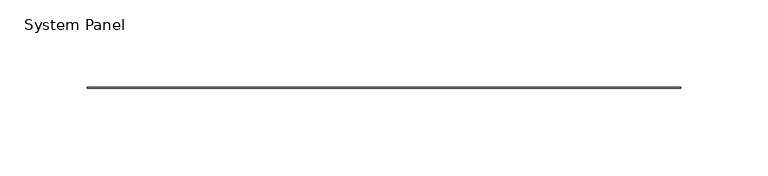
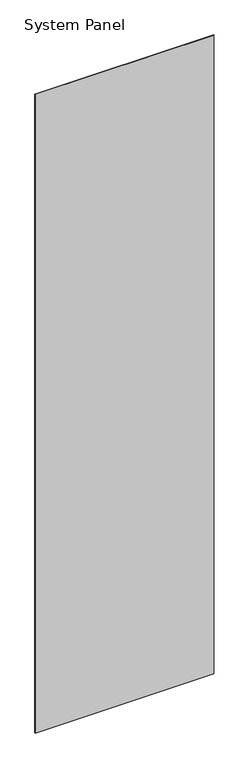
"""IFC4 building model written with IfcOpenShell, lengths in millimetres: plate geometry, System Panel."""

from ifc_helpers import new_model, si_unit, origin, origin_with_axes, place, context, project, spatial, polyline, outline, extrude, source, transform, mapped, element, save


def system_panel_6164b0bf(model_context):
    return source(origin(), model_context, "Body", "SweptSolid", [
        extrude(outline(polyline([(170.18, -0.2480469), (-170.18, -0.2480469), (-170.18, 0.2480469), (170.18, 0.2480469), (170.18, -0.2480469)])), origin_with_axes(), (0.0, 0.0, 1.0), 1285.875),
    ])


if __name__ == "__main__":
    model = new_model("IFC4")
    model_context = context("Model", 3, world=origin())
    ifc_project = project(units=[si_unit("LENGTHUNIT", "METRE", prefix="MILLI")], contexts=[model_context])
    site = spatial("IfcSite", under=ifc_project)
    building = spatial("IfcBuilding", under=site)
    placement = place(None, origin())
    system_panel_shape = system_panel_6164b0bf(model_context)
    element("IfcPlate", 1, ObjectType="System Panel", at=placement, inside=building, context=model_context, shape_type="MappedRepresentation", body=[
        mapped(system_panel_shape, transform((0.0, 0.0, 0.0), x_axis=(1.0, 0.0, 0.0), y_axis=(0.0, 1.0, 0.0), z_axis=(0.0, 0.0, 1.0))),
    ])
    save(model, "model.ifc")
